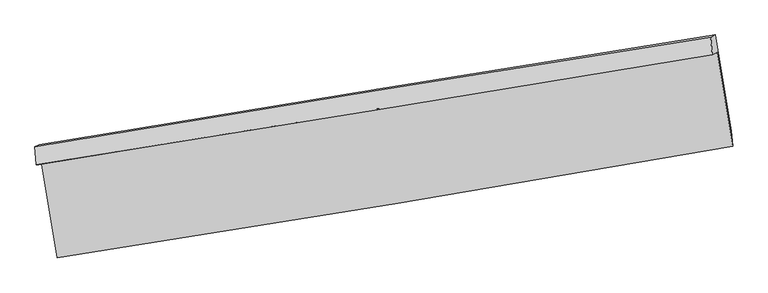
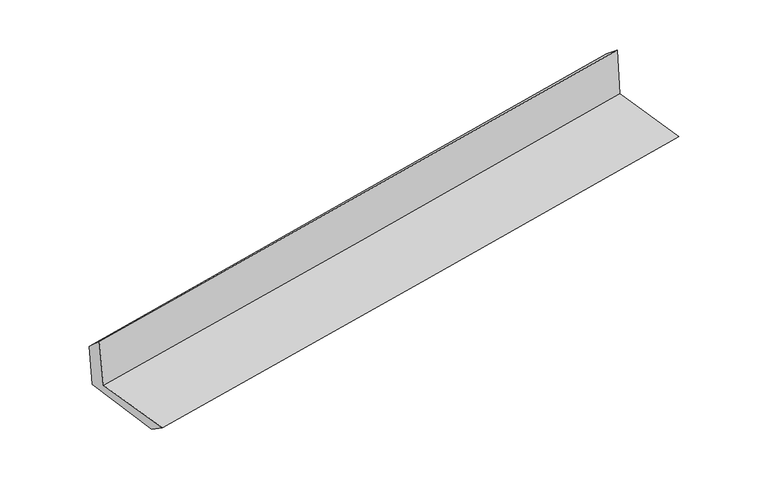
"""IFC4 building model written with IfcOpenShell, lengths in millimetres: proxy geometry."""

from ifc_helpers import new_model, si_unit, frame, origin, place, context, project, spatial, source, transform, mapped, element, save
from ifc_brep_helpers import plane_surface, spline_curve, spline_surface, advanced_brep


def generic_models_33e7d71d(model_context):
    return source(origin(), model_context, "Body", "AdvancedBrep", [
        advanced_brep(
        [(-2373.692698, -1879.6822593, 1665.3193614), (-2265.0111902, -2529.3073262, 1652.2384752), (2430.3267246, -1755.4061903, 2073.3156361), (2322.4891922, -1101.8949796, 2088.9688528), (-2409.76674, -1884.9709113, 2066.455048), (2288.7618839, -1121.800458, 2490.8811406), (-2419.4896583, -1759.0314568, 1945.8069746), (2277.7034698, -997.1512607, 2390.4724837), (-2389.9726236, -1745.0271214, 1600.2026357), (2308.2925283, -982.6357562, 2032.2193035), (-2278.4400846, -2400.196157, 1566.1273614), (2419.7106711, -1647.3708496, 1997.5049091)],
        [
            (0, 1),
            (1, 2, spline_curve(3, [(-2265.0111902, -2529.3073262, 1652.2384752), (-1481.594254995, -2410.125858111, 1730.561343669), (-698.608110197, -2286.04344838, 1804.81250293), (866.504530012, -2028.076427412, 1945.171576915), (1648.631023552, -1894.191791674, 2011.279471067), (2430.3267246, -1755.4061903, 2073.3156361)], [4, 2, 4], [0.0, 7.838219516839523, 15.676458383098513])),
            (2, 3),
            (3, 0, spline_curve(3, [(2322.4891922, -1101.8949796, 2088.9688528), (1540.525597915, -1234.836882317, 2016.293650459), (758.194826295, -1366.123518168, 1944.651882815), (-807.199138933, -1625.385936625, 1803.435390688), (-1590.262330699, -1753.361727289, 1733.860661253), (-2373.692698, -1879.6822593, 1665.3193614)], [4, 2, 4], [0.0, 7.83823886625899, 15.676458383098513])),
            (4, 0),
            (3, 5),
            (5, 4, spline_curve(3, [(2288.7618839, -1121.800458, 2490.8811406), (1505.968108193, -1251.595780474, 2421.64928962), (723.026684827, -1380.091056476, 2351.664478595), (-843.149523699, -1634.481201131, 2210.189110427), (-1626.384308434, -1760.376076428, 2138.698557551), (-2409.76674, -1884.9709113, 2066.455048)], [4, 2, 4], [0.0, 7.839547743141656, 15.679076133632762])),
            (6, 4),
            (5, 7),
            (7, 6, spline_curve(3, [(2277.7034698, -997.1512607, 2390.4724837), (1494.483388829, -1121.950947949, 2316.394384491), (711.440104768, -1247.840887718, 2242.29982987), (-854.290936989, -1501.800958419, 2094.07799348), (-1636.978695596, -1629.871084219, 2019.950711699), (-2419.4896583, -1759.0314568, 1945.8069746)], [4, 2, 4], [0.0, 7.83980596505703, 15.679592576826064])),
            (8, 6),
            (7, 9),
            (9, 8, spline_curve(3, [(2308.2925283, -982.6357562, 2032.2193035), (1524.826669384, -1107.552497119, 1961.035759912), (741.57116088, -1233.543560856, 1889.442554228), (-824.517222061, -1487.674021471, 1745.436996318), (-1607.350097491, -1615.813412495, 1673.024646171), (-2389.9726236, -1745.0271214, 1600.2026357)], [4, 2, 4], [0.0, 7.840068233632652, 15.680117113329874])),
            (10, 8),
            (9, 11),
            (11, 10, spline_curve(3, [(2419.7106711, -1647.3708496, 1997.5049091), (1636.513653753, -1772.147855207, 1926.352412424), (853.402098761, -1897.271878276, 1854.827990265), (-712.648152588, -2148.213649187, 1711.035472418), (-1495.586849654, -2274.031395238, 1638.767378645), (-2278.4400846, -2400.196157, 1566.1273614)], [4, 2, 4], [0.0, 7.838663197753332, 15.677307045039695])),
            (1, 10),
            (11, 2),
        ],
        [
            spline_surface(3, 3, [[(-2373.692698, -1879.6822593, 1665.3193614), (-1590.262330782, -1753.361727228, 1733.860661357), (-807.199138918, -1625.385936598, 1803.43539073), (758.194826281, -1366.123518195, 1944.651882774), (1540.525597845, -1234.836882276, 2016.293650508), (2322.4891922, -1101.8949796, 2088.9688528)], [(-2337.465528744, -2096.223948281, 1660.959066011), (-1554.039638877, -1972.283104198, 1732.760888817), (-771.002129394, -1845.605107203, 1803.894428176), (794.298060872, -1586.774487896, 1944.825114116), (1576.560739778, -1454.621852097, 2014.622257358), (2358.435036342, -1319.732049846, 2083.751113893)], [(-2301.238359456, -2312.765637219, 1656.598770589), (-1517.81694694, -2191.204481124, 1731.661116243), (-734.805119816, -2065.824277848, 1804.35346561), (830.401295516, -1807.425457638, 1944.998345446), (1612.595881686, -1674.40682188, 2012.950864228), (2394.380880458, -1537.569120054, 2078.533375007)], [(-2265.0111902, -2529.3073262, 1652.2384752), (-1481.594255035, -2410.125858093, 1730.561343703), (-698.608110292, -2286.043448453, 1804.812503057), (866.504530107, -2028.076427339, 1945.171576788), (1648.631023619, -1894.191791701, 2011.279471077), (2430.3267246, -1755.4061903, 2073.3156361)]], [4, 4], [4, 2, 4], [0.0, 2.198620444397636], [0.0, 7.838219516839523, 15.676458383098513]),
            spline_surface(3, 3, [[(-2409.76674, -1884.9709113, 2066.455048), (-1626.384308477, -1760.376076336, 2138.69855751), (-843.149523779, -1634.481201136, 2210.189110557), (723.026684907, -1380.091056471, 2351.664478465), (1505.968108194, -1251.595780538, 2421.649289637), (2288.7618839, -1121.800458, 2490.8811406)], [(-2397.742059331, -1883.208027305, 1932.743152459), (-1614.343649243, -1758.037959972, 2003.752592117), (-831.166062139, -1631.449446276, 2074.604537278), (734.749398718, -1375.435210365, 2215.993613231), (1517.487271409, -1246.009481096, 2286.530743275), (2300.004319998, -1115.165298512, 2356.910378015)], [(-2385.717378669, -1881.445143295, 1799.031256941), (-1602.302990016, -1755.699843593, 1868.806626749), (-819.182600558, -1628.417691458, 1939.019964009), (746.47211247, -1370.779364301, 2080.322748008), (1529.00643463, -1240.423181718, 2151.412196869), (2311.246756102, -1108.530139088, 2222.939615385)], [(-2373.692698, -1879.6822593, 1665.3193614), (-1590.262330782, -1753.361727228, 1733.860661357), (-807.199138918, -1625.385936598, 1803.43539073), (758.194826281, -1366.123518195, 1944.651882774), (1540.525597845, -1234.836882276, 2016.293650508), (2322.4891922, -1101.8949796, 2088.9688528)]], [4, 4], [4, 2, 4], [0.0, 1.3405406577425218], [0.0, 7.839528390491106, 15.679076133632762]),
            spline_surface(3, 3, [[(-2419.4896583, -1759.0314568, 1945.8069746), (-1636.978695665, -1629.871084091, 2019.950711573), (-854.290937027, -1501.800958443, 2094.077993454), (711.440104806, -1247.840887694, 2242.299829896), (1494.483388856, -1121.950947974, 2316.394384393), (2277.7034698, -997.1512607, 2390.4724837)], [(-2416.248685516, -1801.011274954, 1986.022999061), (-1633.447233251, -1673.37274816, 2059.533326879), (-850.577132607, -1546.027706021, 2132.781699165), (715.302298177, -1291.9242773, 2278.754712763), (1498.311628638, -1165.165892166, 2351.479352798), (2281.389607836, -1038.700993137, 2423.94203599)], [(-2413.007712784, -1842.991093146, 2026.239023539), (-1629.915770891, -1716.874412268, 2099.115942204), (-846.8633282, -1590.254453558, 2171.485404846), (719.164491536, -1336.007666866, 2315.209595599), (1502.139868412, -1208.380836347, 2386.564321232), (2285.075745864, -1080.250725563, 2457.41158831)], [(-2409.76674, -1884.9709113, 2066.455048), (-1626.384308477, -1760.376076336, 2138.69855751), (-843.149523779, -1634.481201136, 2210.189110557), (723.026684907, -1380.091056471, 2351.664478465), (1505.968108194, -1251.595780538, 2421.649289637), (2288.7618839, -1121.800458, 2490.8811406)]], [4, 4], [4, 2, 4], [0.0, 0.5719022428246046], [0.0, 7.839786611769034, 15.679592576826064]),
            spline_surface(3, 3, [[(-2389.9726236, -1745.0271214, 1600.2026357), (-1607.35009751, -1615.813412439, 1673.024646109), (-824.517222061, -1487.674021348, 1745.436996297), (741.571160881, -1233.543560979, 1889.442554249), (1524.82666937, -1107.552497, 1961.035760002), (2308.2925283, -982.6357562, 2032.2193035)], [(-2399.811635164, -1749.695233198, 1715.404082018), (-1617.226296892, -1620.499302988, 1788.666667949), (-834.441793742, -1492.38300039, 1861.650662005), (731.527475498, -1238.309336561, 2007.06164612), (1514.712242527, -1112.351980655, 2079.488634816), (2298.096175461, -987.474257697, 2151.63703025)], [(-2409.650646736, -1754.363345002, 1830.605528282), (-1627.102496283, -1625.185193542, 1904.308689734), (-844.366365347, -1497.091979402, 1977.864327746), (721.483790189, -1243.075112113, 2124.680738025), (1504.5978157, -1117.151464319, 2197.941509579), (2287.899822639, -992.312759203, 2271.05475695)], [(-2419.4896583, -1759.0314568, 1945.8069746), (-1636.978695665, -1629.871084091, 2019.950711573), (-854.290937027, -1501.800958443, 2094.077993454), (711.440104806, -1247.840887694, 2242.299829896), (1494.483388856, -1121.950947974, 2316.394384393), (2277.7034698, -997.1512607, 2390.4724837)]], [4, 4], [4, 2, 4], [0.0, 1.1558808719281226], [0.0, 7.840048879697222, 15.680117113329874]),
            spline_surface(3, 3, [[(-2278.4400846, -2400.196157, 1566.1273614), (-1495.586849696, -2274.031395266, 1638.767378742), (-712.64815266, -2148.213649155, 1711.035472475), (853.402098833, -1897.271878308, 1854.827990207), (1636.513653668, -1772.147855286, 1926.352412383), (2419.7106711, -1647.3708496, 1997.5049091)], [(-2315.617597615, -2181.806478465, 1577.485786155), (-1532.841265648, -2054.625400989, 1650.186467853), (-749.937842465, -1928.033773207, 1722.502647094), (816.125119511, -1676.029105853, 1866.366178232), (1599.284658887, -1550.61606919, 1937.913528245), (2382.571290151, -1425.792485133, 2009.076373889)], [(-2352.795110585, -1963.416799935, 1588.844210945), (-1570.095681557, -1835.219406716, 1661.605556998), (-787.227532256, -1707.853897296, 1733.969821679), (778.848140203, -1454.786333434, 1877.904366224), (1562.055664151, -1329.084283096, 1949.47464414), (2345.431909249, -1204.214120667, 2020.647838711)], [(-2389.9726236, -1745.0271214, 1600.2026357), (-1607.35009751, -1615.813412439, 1673.024646109), (-824.517222061, -1487.674021348, 1745.436996297), (741.571160881, -1233.543560979, 1889.442554249), (1524.82666937, -1107.552497, 1961.035760002), (2308.2925283, -982.6357562, 2032.2193035)]], [4, 4], [4, 2, 4], [0.0, 2.206038871120847], [0.0, 7.838643847286363, 15.677307045039695]),
            spline_surface(3, 3, [[(-2265.0111902, -2529.3073262, 1652.2384752), (-1481.594255035, -2410.125858093, 1730.561343703), (-698.608110292, -2286.043448453, 1804.812503057), (866.504530107, -2028.076427339, 1945.171576788), (1648.631023619, -1894.191791701, 2011.279471077), (2430.3267246, -1755.4061903, 2073.3156361)], [(-2269.487488331, -2486.270269797, 1623.534770596), (-1486.258453253, -2364.761037148, 1699.963355379), (-703.288124391, -2240.100182036, 1773.553492853), (862.137053039, -1984.474911012, 1915.057047917), (1644.591900314, -1853.510479571, 1982.970451509), (2426.788040112, -1719.394410075, 2048.045393763)], [(-2273.963786469, -2443.233213403, 1594.831066004), (-1490.922651478, -2319.396216211, 1669.365367067), (-707.968138561, -2194.156915571, 1742.29448268), (857.769575901, -1940.873394636, 1884.942519078), (1640.552776973, -1812.829167416, 1954.661431951), (2423.249355588, -1683.382629825, 2022.775151437)], [(-2278.4400846, -2400.196157, 1566.1273614), (-1495.586849696, -2274.031395266, 1638.767378742), (-712.64815266, -2148.213649155, 1711.035472475), (853.402098833, -1897.271878308, 1854.827990207), (1636.513653668, -1772.147855286, 1926.352412383), (2419.7106711, -1647.3708496, 1997.5049091)]], [4, 4], [4, 2, 4], [0.0, 0.5360974610631969], [0.0, 7.837049481672565, 15.674118309876249]),
            plane_surface(frame((2341.2140783, -1267.7099158, 2178.893721), z_axis=(0.9829618996898175, 0.16003539663769664, 0.09041335952833872), x_axis=(-0.08500512125570214, -0.04033769848297463, 0.9955636591606788))),
            plane_surface(frame((-2356.0621658, -2033.035872, 1749.3583094), z_axis=(-0.9825400664438857, -0.16255542590127953, -0.0905027698056714), x_axis=(-0.16497306304317907, 0.9860981810535102, 0.019856127344220705))),
        ],
        [
            (0, [[1, 2, 3, 4]]),
            (1, [[5, -4, 6, 7]]),
            (2, [[8, -7, 9, 10]]),
            (3, [[11, -10, 12, 13]]),
            (4, [[14, -13, 15, 16]]),
            (5, [[17, -16, 18, -2]]),
            (6, [[-12, -9, -6, -3, -18, -15]]),
            (7, [[-1, -5, -8, -11, -14, -17]]),
        ],
    ),
    ])


if __name__ == "__main__":
    model = new_model("IFC4")
    model_context = context("Model", 3, world=origin())
    ifc_project = project(units=[si_unit("LENGTHUNIT", "METRE", prefix="MILLI")], contexts=[model_context])
    site = spatial("IfcSite", under=ifc_project)
    building = spatial("IfcBuilding", under=site)
    placement = place(None, origin())
    generic_models_shape = generic_models_33e7d71d(model_context)
    element("IfcBuildingElementProxy", 1, Name="Generic Models", at=placement, inside=building, context=model_context, shape_type="MappedRepresentation", body=[
        mapped(generic_models_shape, transform((0.0, 0.0, 0.0), x_axis=(1.0, 0.0, 0.0), y_axis=(0.0, 1.0, 0.0), z_axis=(0.0, 0.0, 1.0))),
    ])
    save(model, "model.ifc")
